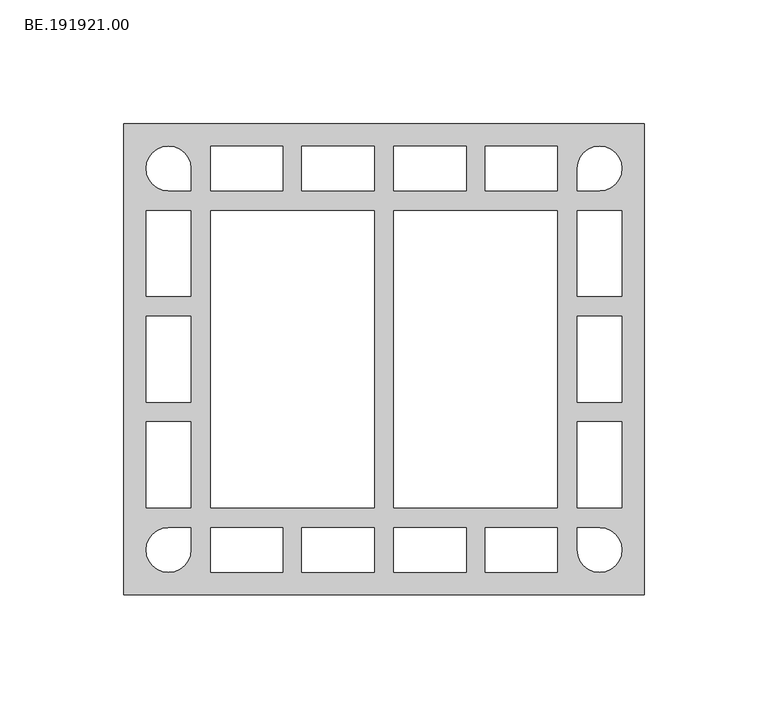
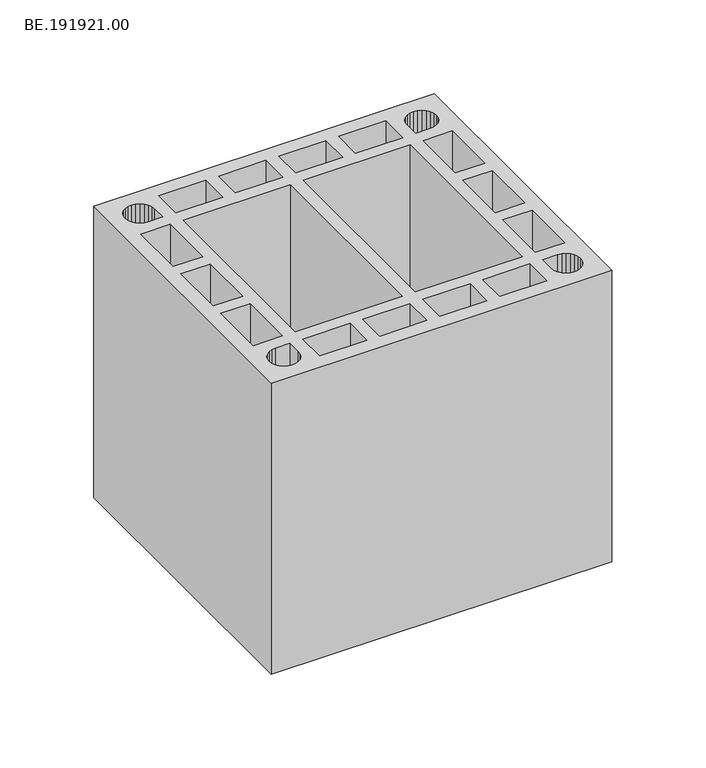
"""IFC4 building model written with IfcOpenShell, lengths in millimetres: proxy geometry, BE.191921.00."""

from ifc_helpers import new_model, si_unit, origin, origin_with_axes, place, context, project, spatial, polyline, outline, extrude, source, transform, mapped, element, save


def be_191921_00_7e49da70(model_context):
    return source(origin(), model_context, "Body", "SweptSolid", [
        extrude(outline(polyline([(215.0, 95.0050293), (215.0, -95.0050293), (5.0, -95.0050293), (5.0, 95.0050293), (215.0, 95.0050293)]), holes=[polyline([(23.0082031, 67.9927246), (32.0123047, 67.9927246), (32.0123047, 76.9968262), (31.6960449, 79.3222656), (30.8030762, 81.498877), (29.3706055, 83.3592285), (27.5102539, 84.7916992), (25.3336426, 85.684668), (23.0082031, 86.0009277), (20.6827637, 85.684668), (18.5061523, 84.7916992), (16.6458008, 83.3592285), (15.2133301, 81.498877), (14.3203613, 79.3222656), (14.0041016, 76.9968262), (14.3203613, 74.6713867), (15.2133301, 72.4947754), (16.6458008, 70.6344238), (18.5061523, 69.2019531), (20.6827637, 68.3089844), (23.0082031, 67.9927246)]), polyline([(113.997998, -60.0118164), (180.0032715, -60.0118164), (180.0032715, 59.9932129), (113.997998, 59.9932129), (113.997998, -60.0118164)]), polyline([(105.9984863, 59.9932129), (40.0118164, 59.9932129), (40.0118164, -60.0118164), (105.9984863, -60.0118164), (105.9984863, 59.9932129)]), polyline([(14.0041016, 25.34729), (32.0123047, 25.34729), (32.0123047, 59.9932129), (14.0041016, 59.9932129), (14.0041016, 25.34729)]), polyline([(14.0041016, -60.0118164), (32.0123047, -60.0118164), (32.0123047, -25.3286865), (14.0041016, -25.3286865), (14.0041016, -60.0118164)]), polyline([(40.0118164, 67.9927246), (69.1077148, 67.9927246), (69.1077148, 86.0009277), (40.0118164, 86.0009277), (40.0118164, 67.9927246)]), polyline([(76.8839844, 67.9927246), (105.9984863, 67.9927246), (105.9984863, 86.0009277), (76.8839844, 86.0009277), (76.8839844, 67.9927246)]), polyline([(113.997998, 67.9927246), (143.1125, 67.9927246), (143.1125, 86.0009277), (113.997998, 86.0009277), (113.997998, 67.9927246)]), polyline([(150.8887695, 86.0009277), (150.8887695, 67.9927246), (180.0032715, 67.9927246), (180.0032715, 86.0009277), (150.8887695, 86.0009277)]), polyline([(197.0068848, 67.9927246), (199.3323242, 68.3089844), (201.5089355, 69.2019531), (203.3692871, 70.6344238), (204.8017578, 72.4947754), (205.6947266, 74.6713867), (206.0109863, 76.9968262), (205.6947266, 79.3222656), (204.8017578, 81.498877), (203.3692871, 83.3592285), (201.5089355, 84.7916992), (199.3323242, 85.684668), (197.0068848, 86.0009277), (194.6814453, 85.684668), (192.504834, 84.7916992), (190.6444824, 83.3592285), (189.2120117, 81.498877), (188.319043, 79.3222656), (188.0027832, 76.9968262), (188.0027832, 67.9927246), (197.0068848, 67.9927246)]), polyline([(188.319043, -79.3408691), (189.2120117, -81.498877), (190.6444824, -83.3592285), (192.504834, -84.7916992), (194.6814453, -85.7032715), (197.0068848, -86.0009277), (199.3323242, -85.7032715), (201.5089355, -84.7916992), (203.3692871, -83.3592285), (204.8017578, -81.498877), (205.6947266, -79.3408691), (206.0109863, -76.9968262), (205.6947266, -74.6713867), (204.8017578, -72.4947754), (203.3692871, -70.6344238), (201.5089355, -69.2019531), (199.3323242, -68.3089844), (197.0068848, -68.0113281), (188.0027832, -68.0113281), (188.0027832, -76.9968262), (188.319043, -79.3408691)]), polyline([(206.0109863, -60.0118164), (206.0109863, -25.3286865), (188.0027832, -25.3286865), (188.0027832, -60.0118164), (206.0109863, -60.0118164)]), polyline([(206.0109863, 25.34729), (206.0109863, 59.9932129), (188.0027832, 59.9932129), (188.0027832, 25.34729), (206.0109863, 25.34729)]), polyline([(40.0118164, -67.9927246), (40.0118164, -86.0009277), (69.1077148, -86.0009277), (69.1077148, -67.9927246), (40.0118164, -67.9927246)]), polyline([(76.8839844, -67.9927246), (76.8839844, -86.0009277), (105.9984863, -86.0009277), (105.9984863, -67.9927246), (76.8839844, -67.9927246)]), polyline([(113.997998, -67.9927246), (113.997998, -86.0009277), (143.1125, -86.0009277), (143.1125, -67.9927246), (113.997998, -67.9927246)]), polyline([(150.8887695, -86.0009277), (180.0032715, -86.0009277), (180.0032715, -67.9927246), (150.8887695, -67.9927246), (150.8887695, -86.0009277)]), polyline([(32.0123047, -76.9968262), (32.0123047, -68.0113281), (23.0082031, -68.0113281), (20.6827637, -68.3089844), (18.5061523, -69.2019531), (16.6458008, -70.6344238), (15.2133301, -72.4947754), (14.3203613, -74.6713867), (14.0041016, -76.9968262), (14.3203613, -79.3408691), (15.2133301, -81.498877), (16.6458008, -83.3592285), (18.5061523, -84.7916992), (20.6827637, -85.7032715), (23.0082031, -86.0009277), (25.3336426, -85.7032715), (27.5102539, -84.7916992), (29.3706055, -83.3592285), (30.8030762, -81.498877), (31.6960449, -79.3408691), (32.0123047, -76.9968262)]), polyline([(14.0041016, -17.3353516), (32.0123047, -17.3353516), (32.0123047, 17.3477783), (14.0041016, 17.3477783), (14.0041016, -17.3353516)]), polyline([(206.0109863, -17.3353516), (206.0109863, 17.3477783), (188.0027832, 17.3477783), (188.0027832, -17.3353516), (206.0109863, -17.3353516)])]), origin_with_axes(), (0.0, 0.0, 1.0), 190.0),
    ])


if __name__ == "__main__":
    model = new_model("IFC4")
    model_context = context("Model", 3, world=origin())
    ifc_project = project(units=[si_unit("LENGTHUNIT", "METRE", prefix="MILLI")], contexts=[model_context])
    site = spatial("IfcSite", under=ifc_project)
    building = spatial("IfcBuilding", under=site)
    placement = place(None, origin())
    be_191921_00_shape = be_191921_00_7e49da70(model_context)
    element("IfcBuildingElementProxy", 1, Name="BE.191921.00", ObjectType="BE.191921.00", at=placement, inside=building, context=model_context, shape_type="MappedRepresentation", body=[
        mapped(be_191921_00_shape, transform((0.0, 0.0, 0.0), x_axis=(1.0, 0.0, 0.0), y_axis=(0.0, 1.0, 0.0), z_axis=(0.0, 0.0, 1.0))),
    ])
    save(model, "model.ifc")
